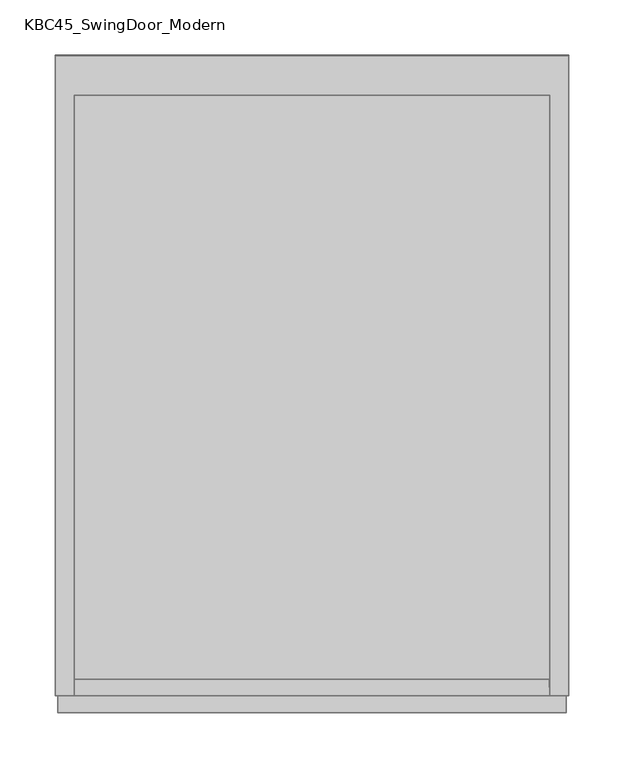
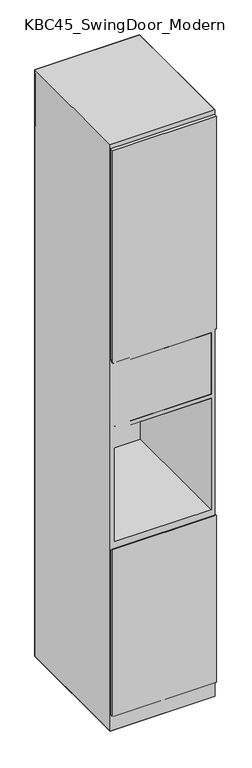
"""IFC4 building model written with IfcOpenShell, lengths in millimetres: furniture geometry, KBC45_SwingDoor_Modern."""

from ifc_helpers import new_model, si_unit, origin, place, context, project, spatial, triangles, source, transform, mapped, element, save


def kbc45_swingdoor_modern_36983371(model_context):
    return source(origin(), model_context, "Body", "Tessellation", [
        triangles([(-228.5996011, -4.7718563, 2724.3636497), (-228.5996001, -579.1200654, 2743.1997093), (-228.5996003, 0.0, 2743.1997093), (-228.6000724, -579.119593, -8e-06), (-228.6000512, -559.8155206, 76.2), (-228.6000908, 0.0004905, 9.33e-05), (235.9151424, -579.119593, -8.92e-05), (189.001527, -579.1195857, 76.1999273), (-217.1586015, -579.1197402, 878.8399612), (-211.3279254, -579.1197411, 878.8399612), (-211.3278346, -579.1198319, 1401.4449806), (-215.1026587, -579.1198313, 1401.4449806), (-211.3278164, -579.1198319, 1420.4949806), (-211.3277801, -579.1198864, 1708.1499516), (-211.6227475, -579.1198319, 1401.4449806), (-228.5998363, -579.1198292, 1401.4449806), (-211.9987783, -579.1198863, 1742.4400097), (235.915124, 0.0004542, 1.2e-05), (-190.3117663, -579.1197444, 844.7041815), (218.6433042, -579.1197539, 878.8398886), (224.4981431, -579.1197548, 878.8398886), (218.9287519, -579.1198447, 1401.4448353), (218.643395, -579.1198447, 1401.4448353), (219.4549371, -579.119754, 844.7041815), (219.3864093, -579.119754, 878.8398886), (223.8055254, -579.1199, 1742.4398643), (218.6434132, -579.1198447, 1420.4948353), (235.9151573, -19.3035456, 76.2000091), (232.0880683, 6e-07, 2724.3636497), (235.9155963, 0.0, 2743.1997093), (-213.1162067, 0.0004881, 76.2000999), (235.9156155, -574.3482273, 2724.3636497), (235.9156147, -579.1200836, 2743.1997093), (218.6432984, -35.5597272, 878.8399612), (-211.3279312, -35.5597144, 878.8400339), (218.6433892, -35.559818, 1401.4449806), (-211.3278404, -35.5598053, 1401.4449806), (223.3948855, -579.1198999, 1742.439719), (218.6434495, -579.1198992, 1708.1498062), (201.2685108, -579.1198965, 1742.4398643), (-219.0551609, -579.1200669, 2724.3636497), (-228.6000543, -579.119593, 76.1999955), (-228.5999271, -579.1197384, 844.7041815), (-228.5999178, -403.7359396, 844.7041815), (-228.6000727, 0.0004905, 76.200109), (-226.7883189, -579.1195933, 76.2), (-227.3999095, -579.1195932, 76.2), (-212.1716602, -579.119741, 844.7041815), (-227.6622118, -579.1195932, 76.2), (-217.8824127, -579.1197401, 844.7041815), (-220.0792626, -579.1197397, 844.7041815), (234.103407, -579.1195928, 76.1999182), (234.7355087, -579.1195929, 76.1999182), (225.0115928, -579.1197548, 844.7041815), (235.9151606, -579.119593, 76.1999137), (235.9152877, -579.1197566, 844.7041815), (235.9152782, -175.3834445, 844.7041815), (-228.5999273, 0.000327, 844.7043268), (-87.9236939, 0.000305, 844.7042542), (235.9151422, 0.0004542, 76.2000273), (235.9152693, 0.000327, 844.7041815), (-228.5999249, -565.1977684, 844.7041815), (-228.599925, -565.4959697, 878.8399612), (-217.6962322, -579.1197401, 844.7041815), (-217.4445034, -579.1197401, 878.8399612), (-220.581721, -579.1197396, 844.7041815), (-220.1374712, -579.1197397, 878.8399612), (217.0872037, -579.1197536, 844.7041815), (225.1894344, -579.1197549, 844.7041815), (224.6693172, -579.1197548, 878.8398886), (224.7692566, -579.1197548, 844.7041815), (224.2520825, -579.1197547, 878.8398886), (235.0645402, -579.1197564, 844.7041815), (235.0827622, -579.1197564, 878.8398886), (-217.4330581, 0.0003253, 844.7043268), (-217.6722513, 0.0003253, 878.8401066), (235.9152853, -13.9216248, 844.7041815), (235.9152854, -13.6234235, 878.8399612), (-228.5999271, -579.1197384, 878.8398886), (-228.5999165, -395.0882389, 878.8398886), (-219.6591211, -579.1197398, 878.8399612), (235.9152877, -579.1197566, 878.8398886), (235.915295, -184.0311634, 878.8398886), (-228.5999273, 0.000327, 878.8400339), (-80.9873168, 0.0003403, 878.8399612), (235.9152693, 0.000327, 878.8398886), (-228.5999184, -407.4925326, 878.8399612), (-228.5998339, -448.2331236, 1401.4449806), (-219.3736916, -579.1197398, 878.8399612), (-227.7707263, -579.1197385, 878.8399612), (-218.7779975, -579.1198308, 1401.4449806), (225.4273378, -579.1197549, 878.8398886), (227.9170477, -579.1198461, 1401.4448353), (-90.936873, 0.0003055, 878.8400339), (-123.6149383, 0.0002198, 1401.4449806), (235.9152788, -171.6268606, 878.8399612), (235.915376, -130.8864512, 1401.4449806), (-228.5998346, -568.7300201, 1401.4449806), (-215.319415, -579.1198313, 1401.4449806), (235.2804609, -579.1198473, 1401.4448353), (-220.2661519, 0.0002349, 1401.4449806), (235.9153767, -10.3895366, 1401.4449806), (-228.5998291, -301.3030415, 1401.4449806), (235.9153786, -579.1198474, 1401.4448353), (235.9153712, -277.8165385, 1401.4449806), (-228.5998547, 0.0002362, 1401.4449806), (-5.7615658, 0.0002377, 1401.4449806), (235.9153602, 0.0002362, 1401.4449806), (-228.5998325, -438.7733268, 1401.4449806), (-228.5997661, -479.0115684, 1742.4400097), (-219.1537014, -579.1198307, 1401.4449806), (227.338958, -579.1198461, 1401.4448353), (229.7979286, -579.1199009, 1742.4398643), (-116.0271929, 0.0002186, 1401.4449806), (-148.3023758, 0.0001691, 1742.440155), (235.9153745, -140.3462299, 1401.4449806), (235.9154353, -100.1081337, 1742.4400097), (-228.5997671, -485.7591761, 1742.4400097), (230.2102762, -579.119901, 1742.4398643), (-153.7146908, 0.00017, 1742.440155), (235.9154364, -93.3605441, 1742.4400097), (-228.5997806, -571.708908, 1742.4400097), (235.4625537, -579.1199018, 1742.4398643), (-222.6554137, 0.0001807, 1742.440155), (235.9154317, -7.4108122, 1742.4400097), (-228.5997818, -579.1198837, 1742.4398643), (-228.5997793, -214.9176865, 1742.4398643), (235.9154331, -579.1199019, 1742.4398643), (235.9154485, -364.202011, 1742.4398643), (-228.599782, 0.0001817, 1742.4400097), (63.528685, 0.0001723, 1742.4398643), (235.9154147, 0.0001635, 1742.4398643), (-228.5997689, -380.9548129, 1742.4400097), (-228.5995994, -574.7201705, 2724.3636497), (-228.2309998, -579.1200655, 2724.3636497), (235.6467358, -579.1200835, 2724.3636497), (-69.6505451, 0.0001931, 1742.440155), (-225.0704371, -6e-07, 2724.3636497), (235.9154382, -198.1648846, 1742.4400097), (235.9155957, -4.3999131, 2724.3636497), (219.3144478, -579.1198993, 1742.4398643), (-228.5995997, -576.897345, 2724.3636497), (-226.8167513, -3e-07, 2724.3636497), (235.915596, -2.2227204, 2724.3636497), (-228.5996001, -578.9555224, 2724.3636497), (235.90555, -579.1200836, 2724.3636497), (-228.4676316, 0.0, 2724.3636497), (235.9155963, -0.164543, 2724.3636497), (-228.5996001, -579.1200654, 2724.3636497), (235.9155963, 0.0, 2724.3636497), (-228.5995988, -571.0335859, 2724.3636497), (-222.1134228, -1e-06, 2724.3636497), (235.9156132, -8.0864432, 2724.3636497), (235.1463485, -579.1200835, 2724.3636497), (-226.5680586, -594.3594517, 76.1999955), (-217.2695164, -594.3595985, 844.7041815), (-226.5679314, -594.359597, 844.7041815), (-226.5679314, -594.359597, 857.4042057), (-226.5679314, -594.0518033, 844.7041815), (-226.5680562, -579.1194662, 76.1999955), (-226.5679306, -589.27962, 857.4042057), (-226.567929, -579.1196115, 844.7041815), (-226.5679306, -589.0744363, 844.7041815), (233.8161948, -594.0518208, 844.7041088), (233.8161947, -594.3596145, 857.404133), (233.8161947, -594.3596145, 844.7041088), (233.8160676, -594.3594692, 76.1999137), (233.8160699, -579.1194837, 76.1999137), (233.8161971, -579.1196291, 844.7041815), (233.8161955, -589.2796375, 857.404133), (218.5292692, -563.8798592, 1420.4948353), (218.5293237, -563.8799137, 1708.1498062), (-211.3277958, -563.879901, 1708.1499516), (-211.3278322, -563.8798465, 1420.4949806), (-226.5677861, -594.3597605, 1729.7400581), (226.7958384, -594.3597588, 1742.4398643), (-226.5677861, -594.3597605, 1742.4400097), (-226.5676044, -594.359924, 2724.3636497), (-226.567602, -579.1199385, 2724.3636497), (-226.5677837, -579.119775, 1742.4400097), (-226.567786, -594.1299417, 1742.4400097), (233.7368036, -589.2797829, 1729.7399128), (233.7368052, -579.1197744, 1742.4398643), (233.7368036, -589.1265582, 1742.4398643), (233.7369868, -579.1199561, 2724.3636497), (233.7368028, -594.1299592, 1742.4398643), (233.7368028, -594.3597598, 1729.7399128), (233.7368028, -594.3597598, 1742.4398643), (233.7369844, -594.3599415, 2724.3636497), (-226.5677853, -589.2797654, 1729.7400581)], [[1, 2, 3], [4, 5, 6], [4, 6, 7], [4, 7, 8], [9, 10, 11], [12, 13, 14], [15, 11, 13], [16, 14, 17], [7, 6, 18], [19, 20, 10], [21, 22, 23], [24, 25, 20], [22, 26, 27], [7, 18, 28], [29, 3, 30], [6, 31, 18], [32, 30, 33], [10, 20, 34], [10, 34, 35], [10, 35, 11], [20, 23, 36], [20, 36, 34], [35, 34, 36], [35, 36, 37], [35, 37, 11], [13, 11, 23], [13, 23, 27], [11, 37, 36], [11, 36, 23], [27, 38, 39], [14, 39, 40], [41, 33, 2], [2, 33, 3], [33, 30, 3], [42, 5, 4], [43, 5, 42], [5, 44, 45], [5, 45, 6], [4, 8, 46], [46, 8, 19], [46, 47, 4], [48, 47, 46], [47, 49, 4], [50, 49, 47], [49, 42, 4], [51, 42, 49], [52, 8, 7], [24, 8, 52], [53, 52, 7], [54, 52, 53], [55, 53, 7], [56, 53, 55], [7, 28, 55], [55, 28, 57], [45, 31, 6], [58, 31, 45], [31, 59, 60], [31, 60, 18], [60, 28, 18], [61, 28, 60], [62, 44, 5], [63, 44, 62], [48, 64, 47], [10, 64, 48], [50, 51, 49], [65, 51, 50], [64, 50, 47], [9, 50, 64], [66, 43, 42], [67, 43, 66], [68, 19, 8], [20, 19, 68], [69, 54, 53], [70, 54, 69], [71, 24, 52], [72, 24, 71], [73, 69, 53], [74, 69, 73], [75, 59, 31], [76, 59, 75], [77, 57, 28], [78, 57, 77], [62, 43, 79], [5, 43, 62], [44, 80, 58], [44, 58, 45], [46, 19, 48], [48, 19, 10], [66, 51, 81], [42, 51, 66], [68, 24, 20], [8, 24, 68], [71, 54, 21], [52, 54, 71], [73, 56, 82], [53, 56, 73], [55, 57, 56], [56, 57, 83], [75, 58, 84], [31, 58, 75], [59, 85, 61], [59, 61, 60], [77, 61, 86], [28, 61, 77], [87, 80, 44], [88, 80, 87], [64, 10, 9], [89, 81, 51], [15, 81, 89], [90, 79, 43], [91, 79, 90], [23, 20, 25], [92, 70, 69], [93, 70, 92], [94, 85, 59], [95, 85, 94], [96, 83, 57], [97, 83, 96], [87, 63, 98], [44, 63, 87], [89, 65, 15], [51, 65, 89], [65, 9, 11], [50, 9, 65], [90, 67, 99], [43, 67, 90], [21, 70, 22], [54, 70, 21], [25, 72, 23], [24, 72, 25], [92, 74, 100], [69, 74, 92], [94, 76, 101], [59, 76, 94], [96, 78, 102], [57, 78, 96], [62, 79, 63], [63, 79, 16], [80, 103, 84], [80, 84, 58], [66, 81, 67], [67, 81, 12], [71, 21, 72], [72, 21, 23], [73, 82, 74], [74, 82, 104], [56, 83, 82], [82, 83, 105], [75, 84, 76], [76, 84, 106], [85, 107, 86], [85, 86, 61], [77, 86, 78], [78, 86, 108], [109, 103, 80], [110, 103, 109], [15, 12, 81], [13, 12, 15], [65, 11, 15], [111, 16, 79], [14, 16, 111], [27, 23, 22], [112, 22, 70], [113, 22, 112], [114, 107, 85], [115, 107, 114], [116, 105, 83], [117, 105, 116], [109, 88, 118], [80, 88, 109], [111, 91, 14], [79, 91, 111], [112, 93, 119], [70, 93, 112], [114, 95, 120], [85, 95, 114], [116, 97, 121], [83, 97, 116], [87, 98, 88], [88, 98, 122], [90, 99, 91], [91, 99, 14], [92, 100, 93], [93, 100, 123], [94, 101, 95], [95, 101, 124], [96, 102, 97], [97, 102, 125], [63, 16, 98], [98, 16, 126], [103, 127, 106], [103, 106, 84], [67, 12, 99], [99, 12, 14], [74, 104, 100], [100, 104, 128], [82, 105, 104], [104, 105, 129], [76, 106, 101], [101, 106, 130], [107, 131, 108], [107, 108, 86], [78, 108, 102], [102, 108, 132], [133, 127, 103], [134, 127, 133], [16, 17, 126], [126, 17, 135], [26, 136, 38], [26, 38, 27], [137, 131, 107], [138, 131, 137], [139, 129, 105], [140, 129, 139], [38, 136, 141], [38, 141, 39], [14, 40, 17], [17, 40, 41], [141, 40, 39], [136, 40, 141], [133, 110, 142], [103, 110, 133], [26, 113, 136], [22, 113, 26], [137, 115, 143], [107, 115, 137], [139, 117, 144], [105, 117, 139], [109, 118, 110], [110, 118, 142], [112, 119, 113], [113, 119, 136], [114, 120, 115], [115, 120, 143], [116, 121, 117], [117, 121, 144], [88, 122, 118], [118, 122, 145], [93, 123, 119], [119, 123, 146], [95, 124, 120], [120, 124, 147], [97, 125, 121], [121, 125, 148], [98, 126, 122], [122, 126, 149], [127, 1, 130], [127, 130, 106], [100, 128, 123], [123, 128, 146], [104, 129, 128], [128, 129, 32], [101, 130, 124], [124, 130, 147], [131, 29, 132], [131, 132, 108], [102, 132, 125], [125, 132, 150], [151, 1, 127], [2, 1, 151], [152, 29, 131], [3, 29, 152], [153, 32, 129], [30, 32, 153], [154, 41, 40], [33, 41, 154], [151, 134, 2], [127, 134, 151], [126, 135, 149], [149, 135, 2], [152, 138, 3], [131, 138, 152], [153, 140, 30], [129, 140, 153], [17, 41, 135], [135, 41, 2], [154, 136, 33], [40, 136, 154], [133, 142, 134], [134, 142, 2], [26, 146, 136], [136, 146, 33], [137, 143, 138], [138, 143, 3], [139, 144, 140], [140, 144, 30], [118, 145, 142], [142, 145, 2], [120, 147, 143], [143, 147, 3], [121, 148, 144], [144, 148, 30], [122, 149, 145], [145, 149, 2], [1, 3, 147], [1, 147, 130], [128, 32, 146], [146, 32, 33], [29, 30, 150], [29, 150, 132], [125, 150, 148], [148, 150, 30], [155, 156, 157], [157, 156, 158], [157, 158, 159], [157, 159, 160], [161, 162, 163], [159, 163, 160], [158, 163, 159], [164, 165, 166], [164, 166, 167], [168, 169, 164], [166, 156, 167], [165, 156, 166], [155, 160, 167], [155, 167, 156], [155, 157, 160], [160, 168, 167], [160, 162, 168], [160, 163, 162], [163, 158, 161], [168, 164, 167], [164, 169, 165], [156, 165, 158], [168, 162, 169], [162, 161, 170], [162, 170, 169], [158, 165, 161], [161, 165, 170], [165, 169, 170], [171, 172, 27], [27, 172, 39], [173, 14, 39], [173, 39, 172], [174, 13, 14], [174, 14, 173], [174, 173, 172], [174, 172, 171], [13, 174, 171], [13, 171, 27], [13, 27, 39], [13, 39, 14], [175, 176, 177], [177, 176, 178], [179, 180, 181], [177, 181, 175], [178, 181, 177], [182, 183, 184], [184, 185, 186], [184, 186, 187], [188, 176, 187], [189, 176, 188], [186, 188, 187], [185, 188, 186], [190, 182, 175], [175, 187, 176], [180, 179, 183], [175, 180, 190], [175, 181, 180], [181, 178, 179], [180, 183, 190], [175, 182, 187], [190, 183, 182], [184, 183, 185], [182, 184, 187], [176, 189, 178], [183, 179, 185], [188, 185, 189], [179, 178, 189], [179, 189, 185]], closed=False),
    ])


if __name__ == "__main__":
    model = new_model("IFC4")
    model_context = context("Model", 3, world=origin())
    ifc_project = project(units=[si_unit("LENGTHUNIT", "METRE", prefix="MILLI")], contexts=[model_context])
    site = spatial("IfcSite", under=ifc_project)
    building = spatial("IfcBuilding", under=site)
    placement = place(None, origin())
    kbc45_swingdoor_modern_shape = kbc45_swingdoor_modern_36983371(model_context)
    element("IfcFurniture", 1, ObjectType="KBC45_SwingDoor_Modern", at=placement, inside=building, context=model_context, shape_type="MappedRepresentation", body=[
        mapped(kbc45_swingdoor_modern_shape, transform((0.0, 0.0, 0.0), x_axis=(1.0, 0.0, 0.0), y_axis=(0.0, 1.0, 0.0), z_axis=(0.0, 0.0, 1.0))),
    ])
    save(model, "model.ifc")
